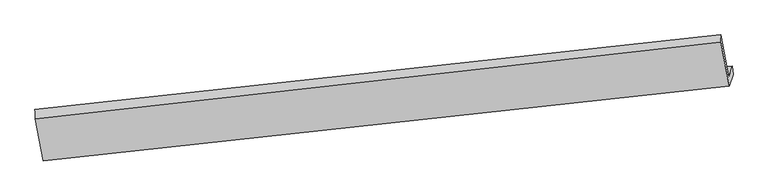
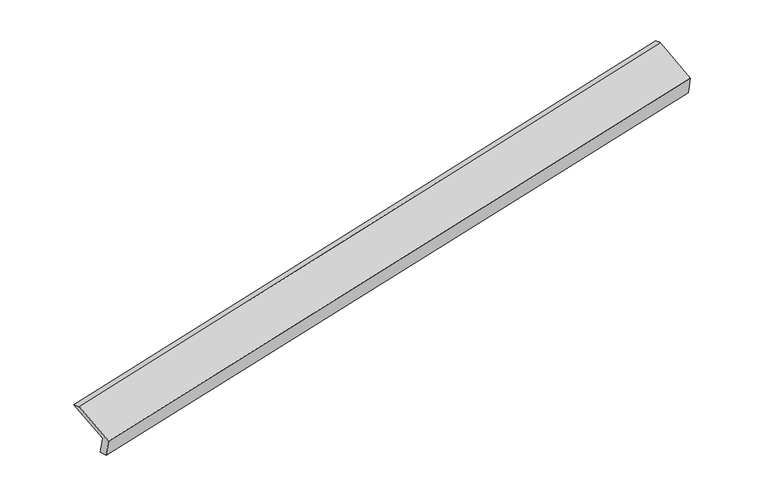
"""IFC4 building model written with IfcOpenShell, lengths in millimetres: proxy geometry."""

from ifc_helpers import new_model, si_unit, frame, origin, place, context, project, spatial, source, transform, mapped, element, save
from ifc_brep_helpers import plane_surface, spline_surface, advanced_brep


def generic_models_33b04951(model_context):
    return source(origin(), model_context, "Body", "AdvancedBrep", [
        advanced_brep(
        [(-8461.2369998, -2148.4744893, 392.5441775), (-8522.3006114, -2328.2637774, 793.4964646), (2840.3992573, -1109.8416623, 3092.4720509), (2901.4628689, -930.0523742, 2691.5197637), (-8451.88162, -2321.4274559, 439.7376828), (2911.4377757, -1072.6873862, 2719.2084538), (-8512.9452316, -2501.216744, 840.6899699), (2848.9977388, -1256.5292763, 3129.1985432), (-8646.7543166, -1808.8615311, 1130.7673397), (2709.6766114, -535.6536434, 3431.2251672), (-8654.2134088, -1645.7203393, 1079.4629766), (2705.1267739, -409.9145309, 3385.7218416)],
        [
            (0, 1),
            (1, 2),
            (2, 3),
            (3, 0),
            (4, 0),
            (3, 5),
            (5, 4),
            (6, 4),
            (5, 7),
            (7, 6),
            (8, 6),
            (7, 9),
            (9, 8),
            (10, 8),
            (9, 11),
            (11, 10),
            (1, 10),
            (11, 2),
        ],
        [
            plane_surface(frame((-8491.7688056, -2238.3691334, 593.0203211), z_axis=(-0.17439379513743408, 0.9081260342452286, 0.38064932699743026), x_axis=(-0.1376425244778798, -0.40526020055173084, 0.9037802306446668))),
            spline_surface(1, 1, [[(-8451.88162, -2321.4274559, 439.7376828), (2911.4377757, -1072.6873862, 2719.2084538)], [(-8461.2369998, -2148.4744893, 392.5441775), (2901.4628689, -930.0523742, 2691.5197637)]], [2, 2], [2, 2], [0.0, 1.0], [0.0, 1.0]),
            plane_surface(frame((-8482.4134258, -2411.3220999, 640.2138264), z_axis=(0.1760663995238949, -0.9079441671824228, -0.38031304505381996), x_axis=(0.13764252447800837, 0.40526020055173934, -0.9037802306446434))),
            plane_surface(frame((-8579.8497741, -2155.0391375, 985.7286548), z_axis=(-0.13764252447794567, -0.4052602005517397, 0.903780230644653), x_axis=(0.17548743893262048, -0.9080074280792012, -0.3804295852452384))),
            spline_surface(1, 1, [[(-8654.2134088, -1645.7203393, 1079.4629766), (2705.1267739, -409.9145309, 3385.7218416)], [(-8646.7543166, -1808.8615311, 1130.7673397), (2709.6766114, -535.6536434, 3431.2251672)]], [2, 2], [2, 2], [0.0, 1.0], [0.0, 1.0]),
            plane_surface(frame((-8588.2570101, -1986.9920584, 936.4797206), z_axis=(0.1393148451358789, 0.405441882097587, -0.9034424465155114), x_axis=(-0.1754874389326273, 0.908007428079204, 0.3804295852452288))),
            plane_surface(frame((2819.5168377, -885.7798122, 3074.8909701), z_axis=(0.9748121327887703, 0.1062387895344852, 0.19609850934174983), x_axis=(0.17548743893262048, -0.9080074280792012, -0.3804295852452384))),
            plane_surface(frame((-8541.5553647, -2125.6607228, 779.4497685), z_axis=(-0.9748121327887008, -0.10623878953498324, -0.19609850934182527), x_axis=(0.1376425244778866, 0.4052602005517305, -0.903780230644666))),
        ],
        [
            (0, [[1, 2, 3, 4]]),
            (1, [[5, -4, 6, 7]]),
            (2, [[8, -7, 9, 10]]),
            (3, [[11, -10, 12, 13]]),
            (4, [[14, -13, 15, 16]]),
            (5, [[17, -16, 18, -2]]),
            (6, [[-12, -9, -6, -3, -18, -15]]),
            (7, [[-1, -5, -8, -11, -14, -17]]),
        ],
    ),
    ])


if __name__ == "__main__":
    model = new_model("IFC4")
    model_context = context("Model", 3, world=origin())
    ifc_project = project(units=[si_unit("LENGTHUNIT", "METRE", prefix="MILLI")], contexts=[model_context])
    site = spatial("IfcSite", under=ifc_project)
    building = spatial("IfcBuilding", under=site)
    placement = place(None, origin())
    generic_models_shape = generic_models_33b04951(model_context)
    element("IfcBuildingElementProxy", 1, Name="Generic Models", at=placement, inside=building, context=model_context, shape_type="MappedRepresentation", body=[
        mapped(generic_models_shape, transform((0.0, 0.0, 0.0), x_axis=(1.0, 0.0, 0.0), y_axis=(0.0, 1.0, 0.0), z_axis=(0.0, 0.0, 1.0))),
    ])
    save(model, "model.ifc")
